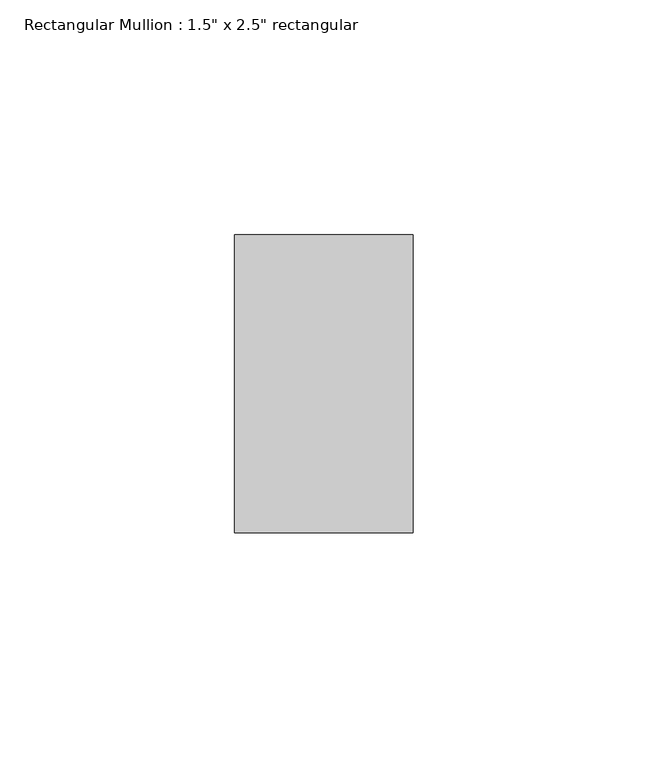
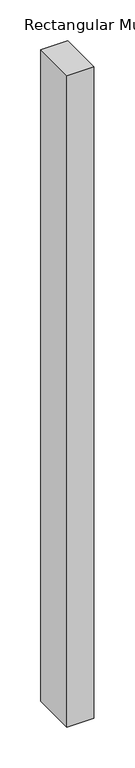
"""IFC4 building model written with IfcOpenShell, lengths in millimetres: member geometry."""

from ifc_helpers import new_model, si_unit, frame, origin, place, context, project, spatial, polyline, outline, extrude, source, transform, mapped, element, save


def member_c47cba8a(model_context):
    return source(origin(), model_context, "Body", "SweptSolid", [
        extrude(outline(polyline([(0.0, 31.75), (0.0, -31.75), (-38.1, -31.75), (-38.1, 31.75), (0.0, 31.75)])), frame((0.0, 0.0, -971.55), z_axis=(0.0, 0.0, 1.0), x_axis=(1.0, 0.0, 0.0)), (0.0, 0.0, 1.0), 971.55),
    ])


if __name__ == "__main__":
    model = new_model("IFC4")
    model_context = context("Model", 3, world=origin())
    ifc_project = project(units=[si_unit("LENGTHUNIT", "METRE", prefix="MILLI")], contexts=[model_context])
    site = spatial("IfcSite", under=ifc_project)
    building = spatial("IfcBuilding", under=site)
    placement = place(None, origin())
    member_shape = member_c47cba8a(model_context)
    element("IfcMember", 1, ObjectType="Rectangular Mullion : 1.5\" x 2.5\" rectangular", at=placement, inside=building, context=model_context, shape_type="MappedRepresentation", body=[
        mapped(member_shape, transform((0.0, 0.0, 0.0), x_axis=(1.0, 0.0, 0.0), y_axis=(0.0, 1.0, 0.0), z_axis=(0.0, 0.0, 1.0))),
    ])
    save(model, "model.ifc")
